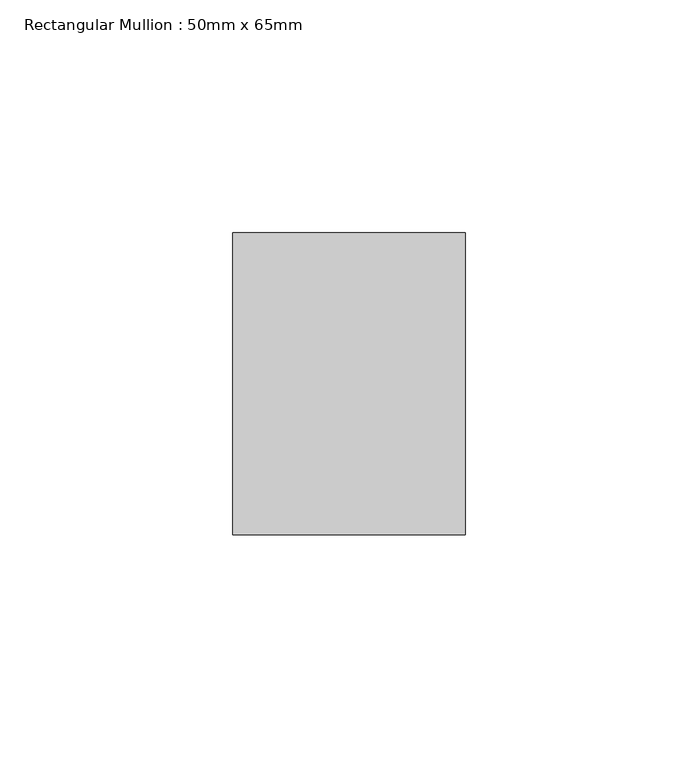
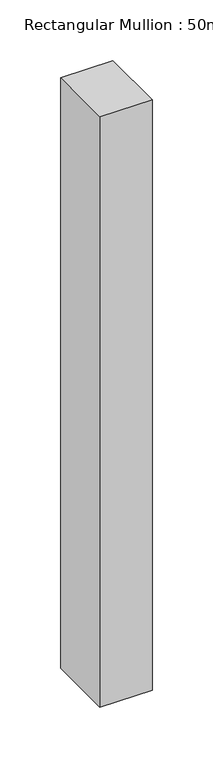
"""IFC4 building model written with IfcOpenShell, lengths in millimetres: member geometry, Rectangular Mullion : 50mm x 65mm."""

from ifc_helpers import new_model, si_unit, frame, origin, place, context, project, spatial, polyline, outline, extrude, source, transform, mapped, element, save


def rectangular_mullion_50mm_x_65mm_4e92fb15(model_context):
    return source(origin(), model_context, "Body", "SweptSolid", [
        extrude(outline(polyline([(25.0, 32.5), (25.0, -32.5), (-25.0, -32.5), (-25.0, 32.5), (25.0, 32.5)])), frame((0.0, 0.0, -595.7757422), z_axis=(0.0, 0.0, 1.0), x_axis=(1.0, 0.0, 0.0)), (0.0, 0.0, 1.0), 595.7757422),
    ])


if __name__ == "__main__":
    model = new_model("IFC4")
    model_context = context("Model", 3, world=origin())
    ifc_project = project(units=[si_unit("LENGTHUNIT", "METRE", prefix="MILLI")], contexts=[model_context])
    site = spatial("IfcSite", under=ifc_project)
    building = spatial("IfcBuilding", under=site)
    placement = place(None, origin())
    rectangular_mullion_50mm_x_65mm_shape = rectangular_mullion_50mm_x_65mm_4e92fb15(model_context)
    element("IfcMember", 1, ObjectType="Rectangular Mullion : 50mm x 65mm", at=placement, inside=building, context=model_context, shape_type="MappedRepresentation", body=[
        mapped(rectangular_mullion_50mm_x_65mm_shape, transform((0.0, 0.0, 0.0), x_axis=(1.0, 0.0, 0.0), y_axis=(0.0, 1.0, 0.0), z_axis=(0.0, 0.0, 1.0))),
    ])
    save(model, "model.ifc")
